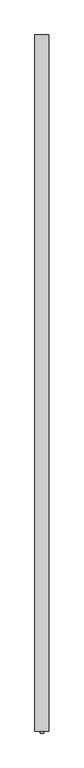
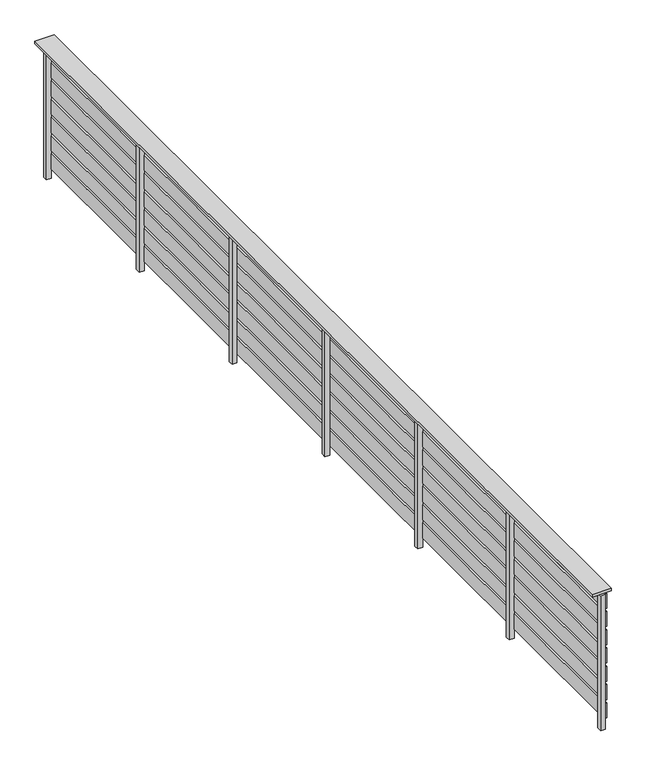
"""IFC4 building model written with IfcOpenShell, lengths in millimetres: railing geometry."""

from ifc_helpers import new_model, si_unit, frame, origin, origin_with_axes, place, context, project, spatial, polyline, outline, extrude, source, transform, mapped, element, save


def railing_f5565063(model_context):
    return source(origin(), model_context, "Body", "SweptSolid", [
        extrude(outline(polyline([(-14310.0347129, -25768.5136765), (-14430.0347129, -25768.5136765), (-14430.0347129, -19768.5136765), (-14310.0347129, -19768.5136765), (-14310.0347129, -25768.5136765)])), frame((0.0, 0.0, 884.8828423), z_axis=(0.0, 0.0, 1.0), x_axis=(1.0, 0.0, 0.0)), (0.0, 0.0, 1.0), 15.1171577),
        extrude(outline(polyline([(-14339.5347129, -25768.5136765), (-14354.5347129, -25768.5136765), (-14354.5347129, -19768.5136765), (-14339.5347129, -19768.5136765), (-14339.5347129, -25768.5136765)])), frame((0.0, 0.0, 780.0), z_axis=(0.0, 0.0, 1.0), x_axis=(1.0, 0.0, 0.0)), (0.0, 0.0, 1.0), 100.0),
        extrude(outline(polyline([(-14339.5347129, -25768.5136765), (-14354.5347129, -25768.5136765), (-14354.5347129, -19768.5136765), (-14339.5347129, -19768.5136765), (-14339.5347129, -25768.5136765)])), frame((0.0, 0.0, 660.0), z_axis=(0.0, 0.0, 1.0), x_axis=(1.0, 0.0, 0.0)), (0.0, 0.0, 1.0), 100.0),
        extrude(outline(polyline([(-14339.5347129, -25768.5136765), (-14354.5347129, -25768.5136765), (-14354.5347129, -19768.5136765), (-14339.5347129, -19768.5136765), (-14339.5347129, -25768.5136765)])), frame((0.0, 0.0, 540.0), z_axis=(0.0, 0.0, 1.0), x_axis=(1.0, 0.0, 0.0)), (0.0, 0.0, 1.0), 100.0),
        extrude(outline(polyline([(-14339.5347129, -25768.5136765), (-14354.5347129, -25768.5136765), (-14354.5347129, -19768.5136765), (-14339.5347129, -19768.5136765), (-14339.5347129, -25768.5136765)])), frame((0.0, 0.0, 420.0), z_axis=(0.0, 0.0, 1.0), x_axis=(1.0, 0.0, 0.0)), (0.0, 0.0, 1.0), 100.0),
        extrude(outline(polyline([(-14339.5347129, -25768.5136765), (-14354.5347129, -25768.5136765), (-14354.5347129, -19768.5136765), (-14339.5347129, -19768.5136765), (-14339.5347129, -25768.5136765)])), frame((0.0, 0.0, 300.0), z_axis=(0.0, 0.0, 1.0), x_axis=(1.0, 0.0, 0.0)), (0.0, 0.0, 1.0), 100.0),
        extrude(outline(polyline([(-14339.5347129, -25768.5136765), (-14354.5347129, -25768.5136765), (-14354.5347129, -19768.5136765), (-14339.5347129, -19768.5136765), (-14339.5347129, -25768.5136765)])), frame((0.0, 0.0, 180.0), z_axis=(0.0, 0.0, 1.0), x_axis=(1.0, 0.0, 0.0)), (0.0, 0.0, 1.0), 100.0),
        extrude(outline(polyline([(-14339.5347129, -25768.5136765), (-14354.5347129, -25768.5136765), (-14354.5347129, -19768.5136765), (-14339.5347129, -19768.5136765), (-14339.5347129, -25768.5136765)])), frame((0.0, 0.0, 60.0), z_axis=(0.0, 0.0, 1.0), x_axis=(1.0, 0.0, 0.0)), (0.0, 0.0, 1.0), 100.0),
        extrude(outline(polyline([(-14355.0347129, -19813.5136765), (-14385.0347129, -19813.5136765), (-14385.0347129, -19783.5136765), (-14355.0347129, -19783.5136765), (-14355.0347129, -19813.5136765)])), origin_with_axes(), (0.0, 0.0, 1.0), 884.8828423),
        extrude(outline(polyline([(-14355.0347129, -20813.5136765), (-14385.0347129, -20813.5136765), (-14385.0347129, -20783.5136765), (-14355.0347129, -20783.5136765), (-14355.0347129, -20813.5136765)])), origin_with_axes(), (0.0, 0.0, 1.0), 884.8828423),
        extrude(outline(polyline([(-14355.0347129, -21813.5136765), (-14385.0347129, -21813.5136765), (-14385.0347129, -21783.5136765), (-14355.0347129, -21783.5136765), (-14355.0347129, -21813.5136765)])), origin_with_axes(), (0.0, 0.0, 1.0), 884.8828423),
        extrude(outline(polyline([(-14355.0347129, -22813.5136765), (-14385.0347129, -22813.5136765), (-14385.0347129, -22783.5136765), (-14355.0347129, -22783.5136765), (-14355.0347129, -22813.5136765)])), origin_with_axes(), (0.0, 0.0, 1.0), 884.8828423),
        extrude(outline(polyline([(-14355.0347129, -23813.5136765), (-14385.0347129, -23813.5136765), (-14385.0347129, -23783.5136765), (-14355.0347129, -23783.5136765), (-14355.0347129, -23813.5136765)])), origin_with_axes(), (0.0, 0.0, 1.0), 884.8828423),
        extrude(outline(polyline([(-14355.0347129, -24798.5136765), (-14385.0347129, -24798.5136765), (-14385.0347129, -24768.5136765), (-14355.0347129, -24768.5136765), (-14355.0347129, -24798.5136765)])), origin_with_axes(), (0.0, 0.0, 1.0), 884.8828423),
        extrude(outline(polyline([(-14355.0347129, -25783.5136765), (-14385.0347129, -25783.5136765), (-14385.0347129, -25753.5136765), (-14355.0347129, -25753.5136765), (-14355.0347129, -25783.5136765)])), origin_with_axes(), (0.0, 0.0, 1.0), 884.8828423),
    ])


if __name__ == "__main__":
    model = new_model("IFC4")
    model_context = context("Model", 3, world=origin())
    ifc_project = project(units=[si_unit("LENGTHUNIT", "METRE", prefix="MILLI")], contexts=[model_context])
    site = spatial("IfcSite", under=ifc_project)
    building = spatial("IfcBuilding", under=site)
    placement = place(None, origin())
    railing_shape = railing_f5565063(model_context)
    element("IfcRailing", 1, at=placement, inside=building, context=model_context, shape_type="MappedRepresentation", body=[
        mapped(railing_shape, transform((0.0, 0.0, 0.0), x_axis=(1.0, 0.0, 0.0), y_axis=(0.0, 1.0, 0.0), z_axis=(0.0, 0.0, 1.0))),
    ])
    save(model, "model.ifc")
